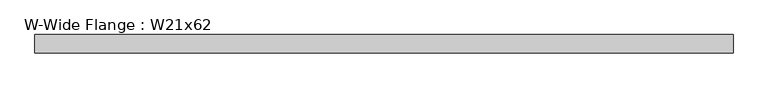
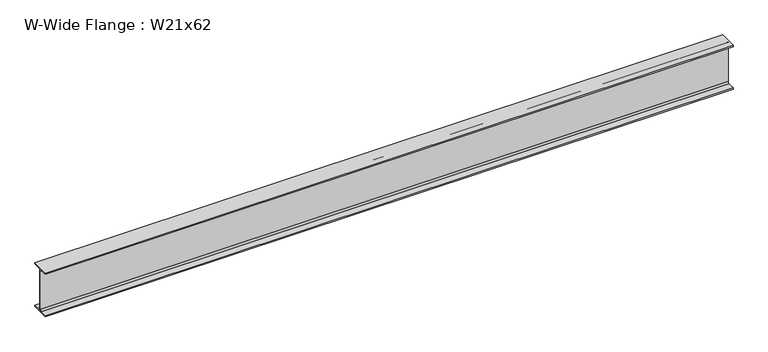
"""IFC4 building model written with IfcOpenShell, lengths in millimetres: beam geometry, W-Wide Flange : W21x62."""

from ifc_helpers import new_model, si_unit, point, frame, frame_2d, origin, place, context, project, spatial, polyline, circle_curve, trimmed, segment, composite_curve, outline, extrude, source, transform, mapped, element, save


def w_wide_flange_w21x62_0a6ed9e6(model_context):
    return source(origin(), model_context, "Body", "SweptSolid", [
        extrude(outline(composite_curve([segment(polyline([(104.648, -251.079), (104.648, -266.7), (-104.648, -266.7), (-104.648, -251.079), (-22.7965, -251.079)]), True, "CONTINUOUS"), segment(trimmed(circle_curve(frame_2d((-22.7965, -233.3625)), 17.7165), [point((-22.7965, -251.079))], [point((-5.08, -233.3625))], True, "CARTESIAN"), True, "CONTINUOUS"), segment(polyline([(-5.08, -233.3625), (-5.08, 233.3625)]), True, "CONTINUOUS"), segment(trimmed(circle_curve(frame_2d((-22.7965, 233.3625)), 17.7165), [point((-5.08, 233.3625))], [point((-22.7965, 251.079))], True, "CARTESIAN"), True, "CONTINUOUS"), segment(polyline([(-22.7965, 251.079), (-104.648, 251.079), (-104.648, 266.7), (104.648, 266.7), (104.648, 251.079), (22.7965, 251.079)]), True, "CONTINUOUS"), segment(trimmed(circle_curve(frame_2d((22.7965, 233.3625)), 17.7165), [point((22.7965, 251.079))], [point((5.08, 233.3625))], True, "CARTESIAN"), True, "CONTINUOUS"), segment(polyline([(5.08, 233.3625), (5.08, -233.3625)]), True, "CONTINUOUS"), segment(trimmed(circle_curve(frame_2d((22.7965, -233.3625)), 17.7165), [point((5.08, -233.3625))], [point((22.7965, -251.079))], True, "CARTESIAN"), True, "CONTINUOUS"), segment(polyline([(22.7965, -251.079), (104.648, -251.079)]), True, "CONTINUOUS")], self_intersect=False)), frame((-4018.9416305, 0.0, 0.0), z_axis=(1.0, 0.0, 0.0), x_axis=(0.0, 1.0, 0.0)), (0.0, 0.0, 1.0), 7913.6772609),
    ])


if __name__ == "__main__":
    model = new_model("IFC4")
    model_context = context("Model", 3, world=origin())
    ifc_project = project(units=[si_unit("LENGTHUNIT", "METRE", prefix="MILLI")], contexts=[model_context])
    site = spatial("IfcSite", under=ifc_project)
    building = spatial("IfcBuilding", under=site)
    placement = place(None, origin())
    w_wide_flange_w21x62_shape = w_wide_flange_w21x62_0a6ed9e6(model_context)
    element("IfcBeam", 1, ObjectType="W-Wide Flange : W21x62", at=placement, inside=building, context=model_context, shape_type="MappedRepresentation", body=[
        mapped(w_wide_flange_w21x62_shape, transform((0.0, 0.0, 0.0), x_axis=(1.0, 0.0, 0.0), y_axis=(0.0, 1.0, 0.0), z_axis=(0.0, 0.0, 1.0))),
    ])
    save(model, "model.ifc")
